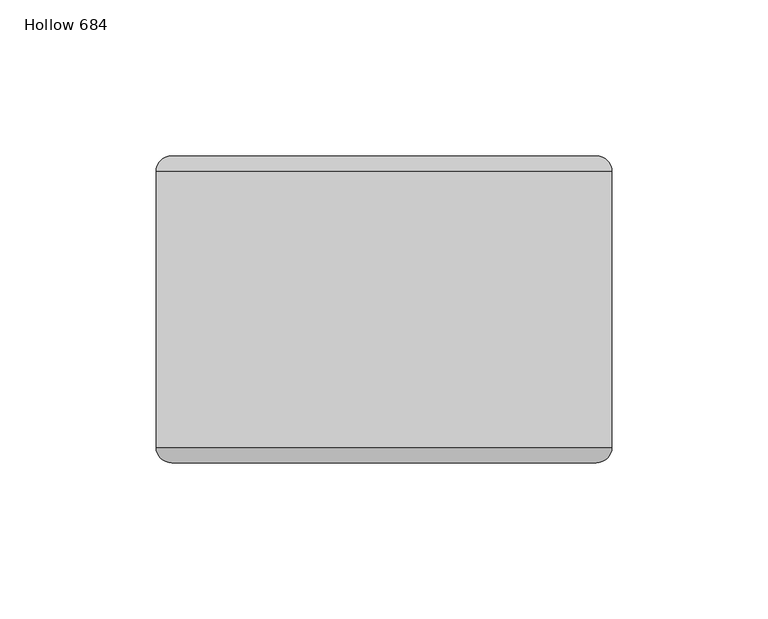
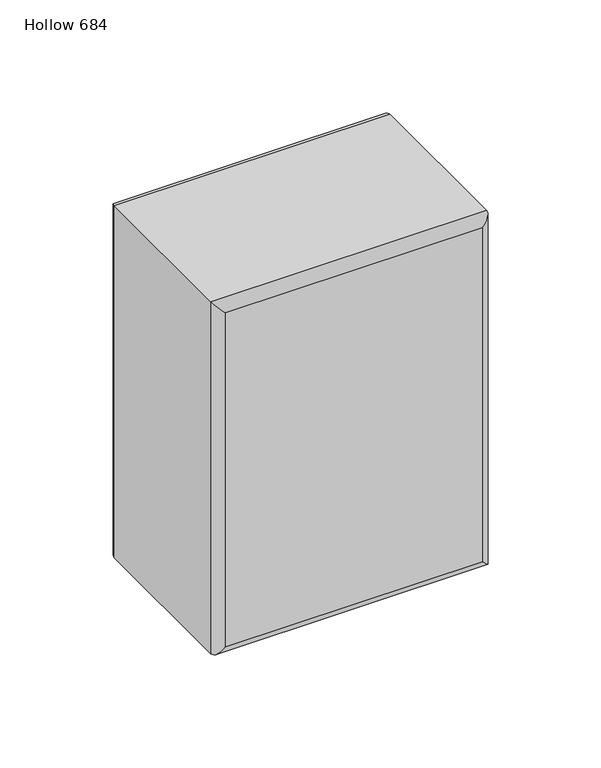
"""IFC4 building model written with IfcOpenShell, lengths in millimetres: plate geometry, Hollow 684."""

from ifc_helpers import new_model, si_unit, frame, origin, place, context, project, spatial, ellipse_curve, source, transform, mapped, element, save
from ifc_brep_helpers import plane_surface, cylinder_surface, advanced_brep


def hollow_684_4e19834c(model_context):
    return source(origin(), model_context, "Body", "AdvancedBrep", [
        advanced_brep(
        [(-73.0250002, -44.2, 197.0), (73.0749998, -44.2, 197.0), (73.0749998, 44.2, 197.0), (-73.0250002, 44.2, 197.0), (73.0749998, -44.2, 0.0), (-73.0250002, -44.2, 0.0), (-73.0250002, 44.2, 0.0), (73.0749998, 44.2, 0.0), (-68.0250002, -49.2, 5.0), (68.0749998, -49.2, 5.0), (68.0749998, -49.2, 192.0), (-68.0250002, -49.2, 192.0), (68.0749998, 49.2, 5.0), (-68.0250002, 49.2, 5.0), (-68.0250002, 49.2, 192.0), (68.0749998, 49.2, 192.0)],
        [
            (0, 1),
            (1, 2),
            (2, 3),
            (3, 0),
            (4, 5),
            (5, 6),
            (6, 7),
            (7, 4),
            (8, 9),
            (9, 10),
            (10, 11),
            (11, 8),
            (1, 4),
            (7, 2),
            (12, 13),
            (13, 14),
            (14, 15),
            (15, 12),
            (5, 0),
            (3, 6),
            (4, 9, ellipse_curve(frame((68.0749998, -44.2, 5.0), z_axis=(-0.7071067811865475, 0.0, -0.7071067811865475), x_axis=(0.7071067811865476, 0.0, -0.7071067811865474)), 7.0710678, 5.0)),
            (8, 5, ellipse_curve(frame((-68.0250002, -44.2, 5.0), z_axis=(0.7071067811865475, 0.0, -0.7071067811865475), x_axis=(0.7071067811865476, 0.0, 0.7071067811865474)), 7.0710678, 5.0)),
            (1, 10, ellipse_curve(frame((68.0749998, -44.2, 192.0), z_axis=(0.7071067811865475, 0.0, -0.7071067811865475), x_axis=(0.7071067811865474, 0.0, 0.7071067811865476)), 7.0710678, 5.0)),
            (0, 11, ellipse_curve(frame((-68.0250002, -44.2, 192.0), z_axis=(0.7071067811865475, 0.0, 0.7071067811865475), x_axis=(-0.7071067811865476, 0.0, 0.7071067811865474)), 7.0710678, 5.0)),
            (12, 7, ellipse_curve(frame((68.0749998, 44.2, 5.0), z_axis=(-0.7071067811865475, 0.0, -0.7071067811865475), x_axis=(0.7071067811865476, 0.0, -0.7071067811865474)), 7.0710678, 5.0)),
            (6, 13, ellipse_curve(frame((-68.0250002, 44.2, 5.0), z_axis=(0.7071067811865475, 0.0, -0.7071067811865475), x_axis=(0.7071067811865476, 0.0, 0.7071067811865474)), 7.0710678, 5.0)),
            (15, 2, ellipse_curve(frame((68.0749998, 44.2, 192.0), z_axis=(0.7071067811865475, 0.0, -0.7071067811865475), x_axis=(0.7071067811865474, 0.0, 0.7071067811865476)), 7.0710678, 5.0)),
            (14, 3, ellipse_curve(frame((-68.0250002, 44.2, 192.0), z_axis=(0.7071067811865475, 0.0, 0.7071067811865475), x_axis=(-0.7071067811865476, 0.0, 0.7071067811865474)), 7.0710678, 5.0)),
        ],
        [
            plane_surface(frame((-73.0250002, -49.2, 197.0), z_axis=(0.0, 0.0, 1.0), x_axis=(1.0, 0.0, 0.0))),
            plane_surface(frame((-73.0250002, -49.2, 0.0), z_axis=(0.0, 0.0, -1.0), x_axis=(-1.0, 0.0, 0.0))),
            plane_surface(frame((-73.0250002, -49.2, 197.0), z_axis=(0.0, -1.0, 0.0), x_axis=(0.0, 0.0, -1.0))),
            plane_surface(frame((73.0749998, -49.2, 197.0), z_axis=(1.0, 0.0, 0.0), x_axis=(0.0, 0.0, -1.0))),
            plane_surface(frame((73.0749998, 49.2, 197.0), z_axis=(0.0, 1.0, 0.0), x_axis=(0.0, 0.0, -1.0))),
            plane_surface(frame((-73.0250002, 49.2, 197.0), z_axis=(-1.0, 0.0, 0.0), x_axis=(0.0, 0.0, -1.0))),
            cylinder_surface(frame((-73.0250002, -44.2, 5.0), z_axis=(1.0, 0.0, 0.0), x_axis=(0.0, 0.0, -1.0)), 5.0),
            cylinder_surface(frame((68.0749998, -44.2, 0.0), z_axis=(0.0, 0.0, 1.0), x_axis=(1.0, 0.0, 0.0)), 5.0),
            cylinder_surface(frame((73.0749998, -44.2, 192.0), z_axis=(-1.0, 0.0, 0.0), x_axis=(0.0, 0.0, 1.0)), 5.0),
            cylinder_surface(frame((-68.0250002, -44.2, 197.0), z_axis=(0.0, 0.0, -1.0), x_axis=(-1.0, 0.0, 0.0)), 5.0),
            cylinder_surface(frame((-73.0250002, 44.2, 5.0), z_axis=(1.0, 0.0, 0.0), x_axis=(0.0, 0.0, -1.0)), 5.0),
            cylinder_surface(frame((68.0749998, 44.2, 0.0), z_axis=(0.0, 0.0, 1.0), x_axis=(1.0, 0.0, 0.0)), 5.0),
            cylinder_surface(frame((73.0749998, 44.2, 192.0), z_axis=(-1.0, 0.0, 0.0), x_axis=(0.0, 0.0, 1.0)), 5.0),
            cylinder_surface(frame((-68.0250002, 44.2, 197.0), z_axis=(0.0, 0.0, -1.0), x_axis=(-1.0, 0.0, 0.0)), 5.0),
        ],
        [
            (0, [[1, 2, 3, 4]]),
            (1, [[5, 6, 7, 8]]),
            (2, [[9, 10, 11, 12]]),
            (3, [[13, -8, 14, -2]]),
            (4, [[15, 16, 17, 18]]),
            (5, [[19, -4, 20, -6]]),
            (6, [[21, -9, 22, -5]]),
            (7, [[-21, -13, 23, -10]]),
            (8, [[-23, -1, 24, -11]]),
            (9, [[-22, -12, -24, -19]]),
            (10, [[25, -7, 26, -15]]),
            (11, [[-25, -18, 27, -14]]),
            (12, [[-27, -17, 28, -3]]),
            (13, [[-26, -20, -28, -16]]),
        ],
    ),
    ])


if __name__ == "__main__":
    model = new_model("IFC4")
    model_context = context("Model", 3, world=origin())
    ifc_project = project(units=[si_unit("LENGTHUNIT", "METRE", prefix="MILLI")], contexts=[model_context])
    site = spatial("IfcSite", under=ifc_project)
    building = spatial("IfcBuilding", under=site)
    placement = place(None, origin())
    hollow_684_shape = hollow_684_4e19834c(model_context)
    element("IfcPlate", 1, ObjectType="Hollow 684", at=placement, inside=building, context=model_context, shape_type="MappedRepresentation", body=[
        mapped(hollow_684_shape, transform((0.0, 0.0, 0.0), x_axis=(1.0, 0.0, 0.0), y_axis=(0.0, 1.0, 0.0), z_axis=(0.0, 0.0, 1.0))),
    ])
    save(model, "model.ifc")
